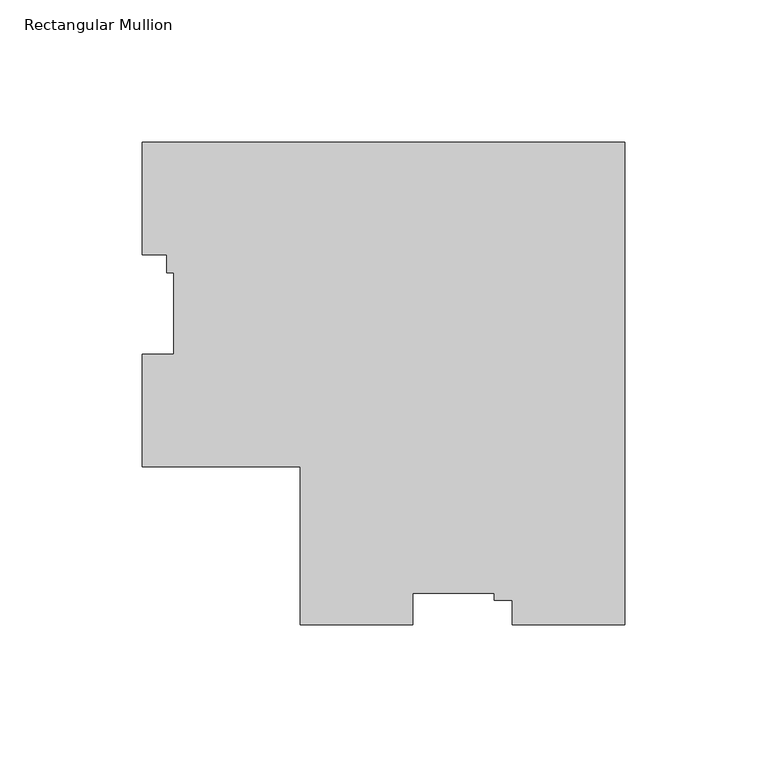
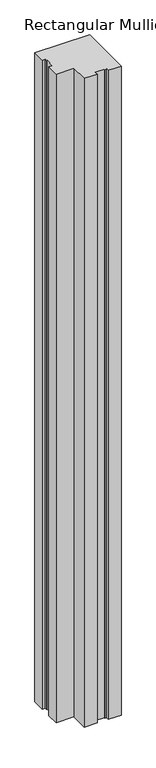
"""IFC4 building model written with IfcOpenShell, lengths in millimetres: member geometry, Rectangular Mullion."""

from ifc_helpers import new_model, si_unit, frame, origin, place, context, project, spatial, polyline, outline, extrude, source, transform, mapped, element, save


def rectangular_mullion_373623e8(model_context):
    return source(origin(), model_context, "Body", "SweptSolid", [
        extrude(outline(polyline([(0.0, 114.271425), (0.0, -55.591075), (-39.6748, -55.591075), (-39.6748, -46.853475), (-46.0248, -46.853475), (-46.0248, -44.478575), (-74.6252, -44.478575), (-74.6252, -55.591075), (-114.3, -55.591075), (-114.3, -0.028575), (-169.8625, -0.028575), (-169.8625, 39.646225), (-158.75, 39.646225), (-158.75, 68.246625), (-161.1249, 68.246625), (-161.1249, 74.596625), (-169.8625, 74.596625), (-169.8625, 114.271425), (0.0, 114.271425)])), frame((0.0, 0.0, -2133.6), z_axis=(0.0, 0.0, 1.0), x_axis=(1.0, 0.0, 0.0)), (0.0, 0.0, 1.0), 2133.6),
    ])


if __name__ == "__main__":
    model = new_model("IFC4")
    model_context = context("Model", 3, world=origin())
    ifc_project = project(units=[si_unit("LENGTHUNIT", "METRE", prefix="MILLI")], contexts=[model_context])
    site = spatial("IfcSite", under=ifc_project)
    building = spatial("IfcBuilding", under=site)
    placement = place(None, origin())
    rectangular_mullion_shape = rectangular_mullion_373623e8(model_context)
    element("IfcMember", 1, ObjectType="Rectangular Mullion", at=placement, inside=building, context=model_context, shape_type="MappedRepresentation", body=[
        mapped(rectangular_mullion_shape, transform((0.0, 0.0, 0.0), x_axis=(1.0, 0.0, 0.0), y_axis=(0.0, 1.0, 0.0), z_axis=(0.0, 0.0, 1.0))),
    ])
    save(model, "model.ifc")
